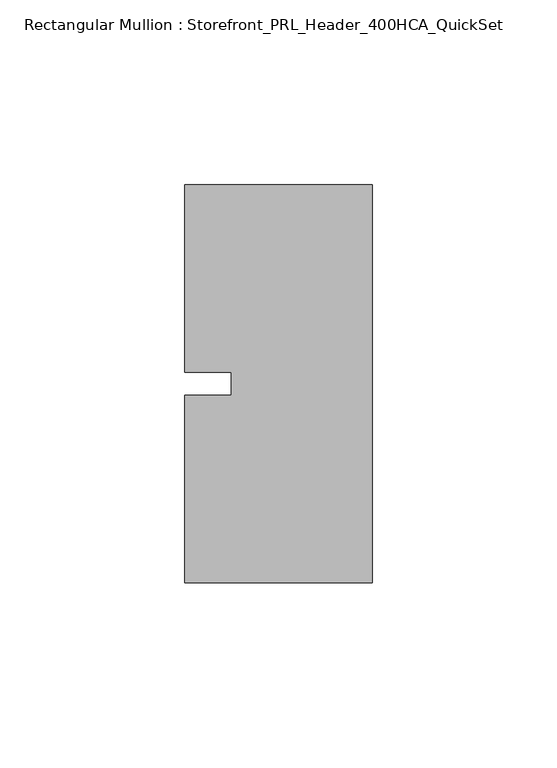
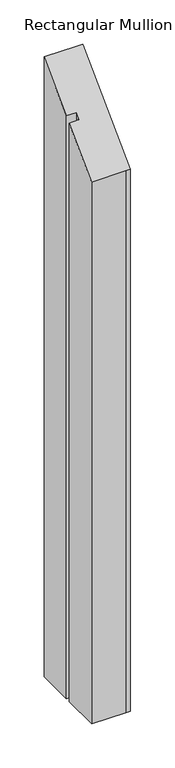
"""IFC4 building model written with IfcOpenShell, lengths in millimetres: member geometry, Rectangular Mullion : Storefront_PRL_Header_400HCA_QuickSet."""

from ifc_helpers import new_model, si_unit, origin, place, context, project, spatial, faceted_brep, source, transform, mapped, element, save


def rectangular_mullion_storefront_prl_header_400hca_quickset_9e17c1e4(model_context):
    return source(origin(), model_context, "Body", "Brep", [
        faceted_brep([(-38.1, -3.175, -804.3333333), (-38.1, 3.175, -804.3333333), (-50.8, 3.175, -804.3333333), (-50.8, 53.975, -804.3333333), (-7.7254924, 53.975, -804.3333333), (0.0, 53.975, -804.3333333), (0.0, -53.975, -804.3333333), (-6.35, -53.975, -804.3333333), (-50.8, -53.975, -804.3333333), (-50.8, -3.175, -804.3333333), (-50.8, -3.175, -3.175), (-38.1, -3.175, -3.175), (-50.8, -53.975, -53.975), (-6.35, -53.975, -53.975), (0.0, -53.975, -53.975), (0.0, 53.975, 53.975), (-7.7254924, 53.975, 53.975), (-50.8, 53.975, 53.975), (-50.8, 3.175, 3.175), (-38.1, 3.175, 3.175)], [[[0, 1, 2, 3, 4, 5, 6, 7, 8, 9]], [[10, 11, 0, 9]], [[12, 10, 9, 8]], [[13, 12, 8, 7]], [[14, 13, 7, 6]], [[15, 14, 6, 5]], [[16, 15, 5, 4]], [[17, 16, 4, 3]], [[18, 17, 3, 2]], [[19, 18, 2, 1]], [[11, 19, 1, 0]], [[11, 10, 12, 13, 14, 15, 16, 17, 18, 19]]]),
    ])


if __name__ == "__main__":
    model = new_model("IFC4")
    model_context = context("Model", 3, world=origin())
    ifc_project = project(units=[si_unit("LENGTHUNIT", "METRE", prefix="MILLI")], contexts=[model_context])
    site = spatial("IfcSite", under=ifc_project)
    building = spatial("IfcBuilding", under=site)
    placement = place(None, origin())
    rectangular_mullion_storefront_prl_header_400hca_quickset_shape = rectangular_mullion_storefront_prl_header_400hca_quickset_9e17c1e4(model_context)
    element("IfcMember", 1, ObjectType="Rectangular Mullion : Storefront_PRL_Header_400HCA_QuickSet", at=placement, inside=building, context=model_context, shape_type="MappedRepresentation", body=[
        mapped(rectangular_mullion_storefront_prl_header_400hca_quickset_shape, transform((0.0, 0.0, 0.0), x_axis=(1.0, 0.0, 0.0), y_axis=(0.0, 1.0, 0.0), z_axis=(0.0, 0.0, 1.0))),
    ])
    save(model, "model.ifc")
